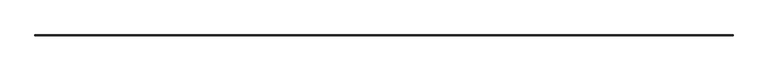
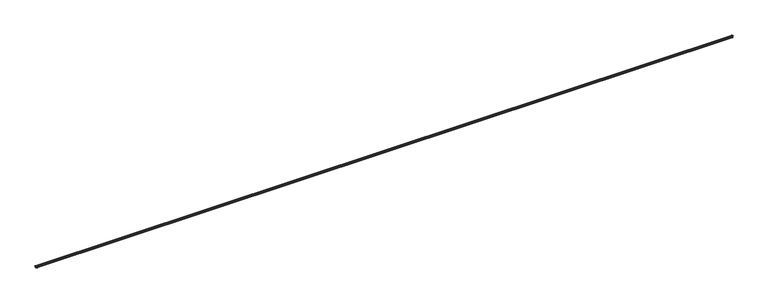
"""IFC4 building model written with IfcOpenShell, lengths in millimetres: railing geometry."""

from ifc_helpers import new_model, si_unit, frame, origin, place, context, project, spatial, polyline, circle_curve, ellipse_curve, source, transform, mapped, element, save
from ifc_brep_helpers import plane_surface, cylinder_surface, revolved_surface, advanced_brep


def railing_f5dde098(model_context):
    return source(origin(), model_context, "Body", "AdvancedBrep", [
        advanced_brep(
        [(25089.7959719, 78069.7828523, 686.2884842), (25089.7959719, 78069.7828523, 692.6440398), (6771.1367719, 78069.7828523, 686.2884842), (6771.1367719, 78069.7828523, 692.6440398), (25089.7959719, 78085.9062023, 686.2884842), (25089.7959719, 78085.9062023, 692.6440398), (6771.1367719, 78085.9062023, 692.6440398), (6771.1367719, 78085.9062023, 686.2884842)],
        [
            (0, 1, circle_curve(frame((25089.7959719, 78069.7828523, 689.466262), z_axis=(0.0, -1.0, 0.0), x_axis=(0.0, 0.0, 1.0)), 3.1777778)),
            (1, 0),
            (2, 3),
            (3, 2, circle_curve(frame((6771.1367719, 78069.7828523, 689.466262), z_axis=(0.0, -1.0, 0.0), x_axis=(0.0, 0.0, 1.0)), 3.1777778)),
            (4, 5),
            (5, 6),
            (6, 7),
            (7, 4),
            (5, 4, ellipse_curve(frame((25089.7959719, 78085.9062023, 689.466262), z_axis=(-0.7071067811865461, 0.7071067811865488, 0.0), x_axis=(0.7071067811865489, 0.707106781186546, 0.0)), 4.4940564, 3.1777778)),
            (7, 6, ellipse_curve(frame((6771.1367719, 78085.9062023, 689.466262), z_axis=(0.7071067811865488, 0.7071067811865461, 0.0), x_axis=(0.7071067811865462, -0.7071067811865487, 0.0)), 4.4940564, 3.1777778)),
            (0, 4),
            (5, 1),
            (7, 2),
            (3, 6),
        ],
        [
            plane_surface(frame((25074.4663719, 78069.7828523, 711.2), z_axis=(0.0, -1.0, 0.0), x_axis=(0.0, 0.0, 1.0))),
            plane_surface(frame((6786.4663719, 78069.7828523, 711.2), z_axis=(0.0, -1.0, 0.0), x_axis=(0.0, 0.0, -1.0))),
            plane_surface(frame((25089.7959719, 78085.9062023, 692.6440398), z_axis=(0.0, -1.0, 0.0), x_axis=(-1.0, 0.0, 0.0))),
            cylinder_surface(frame((25074.4663719, 78085.9062023, 689.466262), z_axis=(1.0, 0.0, 0.0), x_axis=(0.0, 0.0, 1.0)), 3.1777778),
            cylinder_surface(frame((25089.7959719, 78069.7828523, 689.466262), z_axis=(0.0, -1.0, 0.0), x_axis=(0.0, 0.0, 1.0)), 3.1777778),
            plane_surface(frame((25089.7959719, 78069.7828523, 692.6440398), z_axis=(-1.0, 0.0, 0.0), x_axis=(0.0, 1.0, 0.0))),
            cylinder_surface(frame((6771.1367719, 78070.5766023, 689.466262), z_axis=(0.0, 1.0, 0.0), x_axis=(0.0, 0.0, 1.0)), 3.1777778),
            plane_surface(frame((6771.1367719, 78085.9062023, 692.6440398), z_axis=(1.0, 0.0, 0.0), x_axis=(0.0, -1.0, 0.0))),
        ],
        [
            (0, [[1, 2]]),
            (1, [[3, 4]]),
            (2, [[5, 6, 7, 8]]),
            (3, [[9, -8, 10, -6]]),
            (4, [[-1, 11, -9, 12]]),
            (5, [[-2, -12, -5, -11]]),
            (6, [[-10, 13, -4, 14]]),
            (7, [[-7, -14, -3, -13]]),
        ],
    ),
        advanced_brep(
        [(25089.7959719, 78069.7828523, 693.1386519), (25098.2869941, 78069.7828523, 697.0595872), (25098.2869941, 78069.7828523, 698.9158033), (25098.8899531, 78069.7828523, 699.7015947), (25100.6162683, 78069.7828523, 700.1641594), (25101.1856485, 78069.7828523, 700.7186375), (25095.2918351, 78069.7828523, 709.3780081), (25074.4663719, 78069.7828523, 711.2), (25074.4663719, 78069.7828523, 708.0222222), (25075.1019275, 78069.7828523, 707.3866667), (25075.1019275, 78069.7828523, 686.4133333), (25074.4663719, 78069.7828523, 685.7777778), (25074.4663719, 78069.7828523, 679.4222222), (25075.1019275, 78069.7828523, 678.7866667), (25075.1019275, 78069.7828523, 657.8133333), (25074.4663719, 78069.7828523, 657.1777778), (25074.4663719, 78069.7828523, 654.0), (25082.6523275, 78069.7828523, 654.0), (25091.7811097, 78069.7828523, 670.2154542), (25091.972983, 78069.7828523, 683.7078213), (25090.7659275, 78069.7828523, 685.4901576), (25089.7959719, 78069.7828523, 686.2884842), (6771.1367719, 78069.7828523, 693.1386519), (6771.1367719, 78069.7828523, 686.2884842), (6770.1668164, 78069.7828523, 685.4901576), (6768.9597608, 78069.7828523, 683.7078213), (6769.1516342, 78069.7828523, 670.2154542), (6778.2804164, 78069.7828523, 654.0), (6786.4663719, 78069.7828523, 654.0), (6786.4663719, 78069.7828523, 657.1777778), (6785.8308164, 78069.7828523, 657.8133333), (6785.8308164, 78069.7828523, 678.7866667), (6786.4663719, 78069.7828523, 679.4222222), (6786.4663719, 78069.7828523, 685.7777778), (6785.8308164, 78069.7828523, 686.4133333), (6785.8308164, 78069.7828523, 707.3866667), (6786.4663719, 78069.7828523, 708.0222222), (6786.4663719, 78069.7828523, 711.2), (6765.6409088, 78069.7828523, 709.3780081), (6759.7470954, 78069.7828523, 700.7186375), (6760.3164756, 78069.7828523, 700.1641594), (6762.0427908, 78069.7828523, 699.7015947), (6762.6457497, 78069.7828523, 698.9158033), (6762.6457497, 78069.7828523, 697.0595872), (25089.7959719, 78085.9062023, 693.1386519), (25098.2869941, 78094.3972245, 697.0595872), (25098.2869941, 78094.3972245, 698.9158033), (25098.8899531, 78095.0001835, 699.7015947), (25100.6162683, 78096.7264987, 700.1641594), (25101.1856485, 78097.2958789, 700.7186375), (25095.2918351, 78091.4020654, 709.3780081), (25074.4663719, 78070.5766023, 711.2), (25074.4663719, 78070.5766023, 708.0222222), (25075.1019275, 78071.2121579, 707.3866667), (25075.1019275, 78071.2121579, 686.4133333), (25074.4663719, 78070.5766023, 685.7777778), (25074.4663719, 78070.5766023, 679.4222222), (25075.1019275, 78071.2121579, 678.7866667), (25075.1019275, 78071.2121579, 657.8133333), (25074.4663719, 78070.5766023, 657.1777778), (25074.4663719, 78070.5766023, 654.0), (25082.6523275, 78078.7625579, 654.0), (25091.7811097, 78087.8913401, 670.2154542), (25091.972983, 78088.0832134, 683.7078213), (25090.7659275, 78086.8761579, 685.4901576), (25089.7959719, 78085.9062023, 686.2884842), (6771.1367719, 78085.9062023, 693.1386519), (6762.6457497, 78094.3972245, 697.0595872), (6762.6457497, 78094.3972245, 698.9158033), (6762.0427908, 78095.0001835, 699.7015947), (6760.3164756, 78096.7264987, 700.1641594), (6759.7470954, 78097.2958789, 700.7186375), (6765.6409088, 78091.4020654, 709.3780081), (6786.4663719, 78070.5766023, 711.2), (6786.4663719, 78070.5766023, 708.0222222), (6785.8308164, 78071.2121579, 707.3866667), (6785.8308164, 78071.2121579, 686.4133333), (6786.4663719, 78070.5766023, 685.7777778), (6786.4663719, 78070.5766023, 679.4222222), (6785.8308164, 78071.2121579, 678.7866667), (6785.8308164, 78071.2121579, 657.8133333), (6786.4663719, 78070.5766023, 657.1777778), (6786.4663719, 78070.5766023, 654.0), (6778.2804164, 78078.7625579, 654.0), (6769.1516342, 78087.8913401, 670.2154542), (6768.9597608, 78088.0832134, 683.7078213), (6770.1668164, 78086.8761579, 685.4901576), (6771.1367719, 78085.9062023, 686.2884842)],
        [
            (0, 1, circle_curve(frame((25090.5586386, 78069.7828523, 702.6414296), z_axis=(0.0, -1.0, 0.0), x_axis=(0.7930029154518914, 0.0, -0.6092178395982841)), 9.5333333)),
            (1, 2),
            (2, 3, circle_curve(frame((25099.1005052, 78069.7828523, 698.9158033), z_axis=(0.0, 1.0, 0.0), x_axis=(-0.2588190451027654, 0.0, 0.9659258262890028)), 0.8135111)),
            (3, 4),
            (4, 5, circle_curve(frame((25100.4057161, 78069.7828523, 700.9499508), z_axis=(0.0, -1.0, 0.0), x_axis=(0.9587236595755319, 0.0, -0.28433948823562954)), 0.8135111)),
            (5, 6, circle_curve(frame((25094.7024608, 78069.7828523, 702.6414296), z_axis=(0.0, -1.0, 0.0), x_axis=(0.08715574274766327, 0.0, 0.9961946980917451)), 6.7623111)),
            (6, 7),
            (7, 8),
            (8, 9, circle_curve(frame((25074.4663719, 78069.7828523, 707.3866667), z_axis=(0.0, 1.0, 0.0), x_axis=(1.0, 0.0, 0.0)), 0.6355556)),
            (9, 10),
            (10, 11, circle_curve(frame((25074.4663719, 78069.7828523, 686.4133333), z_axis=(0.0, 1.0, 0.0), x_axis=(0.0, 0.0, -1.0)), 0.6355556)),
            (11, 12),
            (12, 13, circle_curve(frame((25074.4663719, 78069.7828523, 678.7866667), z_axis=(0.0, 1.0, 0.0), x_axis=(1.0, 0.0, 0.0)), 0.6355556)),
            (13, 14),
            (14, 15, circle_curve(frame((25074.4663719, 78069.7828523, 657.8133333), z_axis=(0.0, 1.0, 0.0), x_axis=(0.0, 0.0, -1.0)), 0.6355556)),
            (15, 16),
            (16, 17),
            (17, 18, circle_curve(frame((25082.6523275, 78069.7828523, 664.6773333), z_axis=(0.0, -1.0, 0.0), x_axis=(0.8549683620395757, 0.0, 0.51868015183865)), 10.6773333)),
            (18, 19, circle_curve(frame((25102.6487075, 78069.7828523, 676.8084552), z_axis=(0.0, 1.0, 0.0), x_axis=(-0.839873430542967, 0.0, 0.5427822958313838)), 12.7111111)),
            (19, 20, circle_curve(frame((25090.9908164, 78069.7828523, 684.342563), z_axis=(0.0, -1.0, 0.0), x_axis=(-0.1923076923071891, 0.0, 0.9813346786287966)), 1.1694222)),
            (20, 21, circle_curve(frame((25090.609483, 78069.7828523, 686.2884842), z_axis=(0.0, 1.0, 0.0), x_axis=(-1.0, 0.0, 0.0)), 0.8135111)),
            (21, 0),
            (22, 23),
            (23, 24, circle_curve(frame((6770.3232608, 78069.7828523, 686.2884842), z_axis=(0.0, 1.0, 0.0), x_axis=(1.0, 0.0, 0.0)), 0.8135111)),
            (24, 25, circle_curve(frame((6769.9419275, 78069.7828523, 684.342563), z_axis=(0.0, -1.0, 0.0), x_axis=(0.1923076923071891, 0.0, 0.9813346786287966)), 1.1694222)),
            (25, 26, circle_curve(frame((6758.2840363, 78069.7828523, 676.8084552), z_axis=(0.0, 1.0, 0.0), x_axis=(0.839873430542967, 0.0, 0.5427822958313838)), 12.7111111)),
            (26, 27, circle_curve(frame((6778.2804164, 78069.7828523, 664.6773333), z_axis=(0.0, -1.0, 0.0), x_axis=(-0.8549683620395757, 0.0, 0.51868015183865)), 10.6773333)),
            (27, 28),
            (28, 29),
            (29, 30, circle_curve(frame((6786.4663719, 78069.7828523, 657.8133333), z_axis=(0.0, 1.0, 0.0), x_axis=(0.0, 0.0, -1.0)), 0.6355556)),
            (30, 31),
            (31, 32, circle_curve(frame((6786.4663719, 78069.7828523, 678.7866667), z_axis=(0.0, 1.0, 0.0), x_axis=(-1.0, 0.0, 0.0)), 0.6355556)),
            (32, 33),
            (33, 34, circle_curve(frame((6786.4663719, 78069.7828523, 686.4133333), z_axis=(0.0, 1.0, 0.0), x_axis=(0.0, 0.0, -1.0)), 0.6355556)),
            (34, 35),
            (35, 36, circle_curve(frame((6786.4663719, 78069.7828523, 707.3866667), z_axis=(0.0, 1.0, 0.0), x_axis=(-1.0, 0.0, 0.0)), 0.6355556)),
            (36, 37),
            (37, 38),
            (38, 39, circle_curve(frame((6766.230283, 78069.7828523, 702.6414296), z_axis=(0.0, -1.0, 0.0), x_axis=(-0.08715574274766327, 0.0, 0.9961946980917451)), 6.7623111)),
            (39, 40, circle_curve(frame((6760.5270277, 78069.7828523, 700.9499508), z_axis=(0.0, -1.0, 0.0), x_axis=(-0.9587236595755319, 0.0, -0.28433948823562954)), 0.8135111)),
            (40, 41),
            (41, 42, circle_curve(frame((6761.8322386, 78069.7828523, 698.9158033), z_axis=(0.0, 1.0, 0.0), x_axis=(0.2588190451027654, 0.0, 0.9659258262890028)), 0.8135111)),
            (42, 43),
            (43, 22, circle_curve(frame((6770.3741052, 78069.7828523, 702.6414296), z_axis=(0.0, -1.0, 0.0), x_axis=(-0.7930029154518914, 0.0, -0.6092178395982841)), 9.5333333)),
            (0, 44),
            (44, 45, ellipse_curve(frame((25090.5586386, 78086.668869, 702.6414296), z_axis=(0.7071067811865461, -0.7071067811865488, 0.0), x_axis=(-0.7071067811865487, -0.7071067811865462, 0.0)), 13.4821693, 9.5333333)),
            (45, 1),
            (45, 46),
            (46, 2),
            (46, 47, ellipse_curve(frame((25099.1005052, 78095.2107356, 698.9158033), z_axis=(-0.7071067811865461, 0.7071067811865488, 0.0), x_axis=(0.7071067811865487, 0.7071067811865462, 0.0)), 1.1504784, 0.8135111)),
            (47, 3),
            (47, 48),
            (48, 4),
            (48, 49, ellipse_curve(frame((25100.4057161, 78096.5159465, 700.9499508), z_axis=(0.7071067811865461, -0.7071067811865488, 0.0), x_axis=(-0.7071067811865487, -0.7071067811865462, 0.0)), 1.1504784, 0.8135111)),
            (49, 5),
            (49, 50, ellipse_curve(frame((25094.7024608, 78090.8126912, 702.6414296), z_axis=(0.7071067811865461, -0.7071067811865488, 0.0), x_axis=(-0.7071067811865487, -0.7071067811865462, 0.0)), 9.5633521, 6.7623111)),
            (50, 6),
            (50, 51),
            (51, 7),
            (51, 52),
            (52, 8),
            (52, 53, ellipse_curve(frame((25074.4663719, 78070.5766023, 707.3866667), z_axis=(-0.7071067811865461, 0.7071067811865488, 0.0), x_axis=(0.7071067811865487, 0.7071067811865462, 0.0)), 0.8988113, 0.6355556)),
            (53, 9),
            (53, 54),
            (54, 10),
            (54, 55, ellipse_curve(frame((25074.4663719, 78070.5766023, 686.4133333), z_axis=(-0.7071067811865461, 0.7071067811865488, 0.0), x_axis=(0.7071067811865487, 0.7071067811865462, 0.0)), 0.8988113, 0.6355556)),
            (55, 11),
            (55, 56),
            (56, 12),
            (56, 57, ellipse_curve(frame((25074.4663719, 78070.5766023, 678.7866667), z_axis=(-0.7071067811865461, 0.7071067811865488, 0.0), x_axis=(0.7071067811865487, 0.7071067811865462, 0.0)), 0.8988113, 0.6355556)),
            (57, 13),
            (57, 58),
            (58, 14),
            (58, 59, ellipse_curve(frame((25074.4663719, 78070.5766023, 657.8133333), z_axis=(-0.7071067811865461, 0.7071067811865488, 0.0), x_axis=(0.7071067811865487, 0.7071067811865462, 0.0)), 0.8988113, 0.6355556)),
            (59, 15),
            (59, 60),
            (60, 16),
            (60, 61),
            (61, 17),
            (61, 62, ellipse_curve(frame((25082.6523275, 78078.7625579, 664.6773333), z_axis=(0.7071067811865461, -0.7071067811865488, 0.0), x_axis=(-0.7071067811865487, -0.7071067811865462, 0.0)), 15.1000296, 10.6773333)),
            (62, 18),
            (62, 63, ellipse_curve(frame((25102.6487075, 78098.7589379, 676.8084552), z_axis=(-0.7071067811865461, 0.7071067811865488, 0.0), x_axis=(0.7071067811865487, 0.7071067811865462, 0.0)), 17.9762257, 12.7111111)),
            (63, 19),
            (63, 64, ellipse_curve(frame((25090.9908164, 78087.1010468, 684.342563), z_axis=(0.7071067811865461, -0.7071067811865488, 0.0), x_axis=(-0.7071067811865487, -0.7071067811865462, 0.0)), 1.6538128, 1.1694222)),
            (64, 20),
            (64, 65, ellipse_curve(frame((25090.609483, 78086.7197134, 686.2884842), z_axis=(-0.7071067811865461, 0.7071067811865488, 0.0), x_axis=(0.7071067811865487, 0.7071067811865462, 0.0)), 1.1504784, 0.8135111)),
            (65, 21),
            (65, 44),
            (44, 66),
            (66, 67, ellipse_curve(frame((6770.3741052, 78086.668869, 702.6414296), z_axis=(0.7071067811865488, 0.7071067811865461, 0.0), x_axis=(0.7071067811865462, -0.7071067811865487, 0.0)), 13.4821693, 9.5333333)),
            (67, 45),
            (67, 68),
            (68, 46),
            (68, 69, ellipse_curve(frame((6761.8322386, 78095.2107356, 698.9158033), z_axis=(-0.7071067811865488, -0.7071067811865461, 0.0), x_axis=(-0.7071067811865462, 0.7071067811865487, 0.0)), 1.1504784, 0.8135111)),
            (69, 47),
            (69, 70),
            (70, 48),
            (70, 71, ellipse_curve(frame((6760.5270277, 78096.5159465, 700.9499508), z_axis=(0.7071067811865488, 0.7071067811865461, 0.0), x_axis=(0.7071067811865462, -0.7071067811865487, 0.0)), 1.1504784, 0.8135111)),
            (71, 49),
            (71, 72, ellipse_curve(frame((6766.230283, 78090.8126912, 702.6414296), z_axis=(0.7071067811865488, 0.7071067811865461, 0.0), x_axis=(0.7071067811865462, -0.7071067811865487, 0.0)), 9.5633521, 6.7623111)),
            (72, 50),
            (72, 73),
            (73, 51),
            (73, 74),
            (74, 52),
            (74, 75, ellipse_curve(frame((6786.4663719, 78070.5766023, 707.3866667), z_axis=(-0.7071067811865488, -0.7071067811865461, 0.0), x_axis=(-0.7071067811865462, 0.7071067811865487, 0.0)), 0.8988113, 0.6355556)),
            (75, 53),
            (75, 76),
            (76, 54),
            (76, 77, ellipse_curve(frame((6786.4663719, 78070.5766023, 686.4133333), z_axis=(-0.7071067811865488, -0.7071067811865461, 0.0), x_axis=(-0.7071067811865462, 0.7071067811865487, 0.0)), 0.8988113, 0.6355556)),
            (77, 55),
            (77, 78),
            (78, 56),
            (78, 79, ellipse_curve(frame((6786.4663719, 78070.5766023, 678.7866667), z_axis=(-0.7071067811865488, -0.7071067811865461, 0.0), x_axis=(-0.7071067811865462, 0.7071067811865487, 0.0)), 0.8988113, 0.6355556)),
            (79, 57),
            (79, 80),
            (80, 58),
            (80, 81, ellipse_curve(frame((6786.4663719, 78070.5766023, 657.8133333), z_axis=(-0.7071067811865488, -0.7071067811865461, 0.0), x_axis=(-0.7071067811865462, 0.7071067811865487, 0.0)), 0.8988113, 0.6355556)),
            (81, 59),
            (81, 82),
            (82, 60),
            (82, 83),
            (83, 61),
            (83, 84, ellipse_curve(frame((6778.2804164, 78078.7625579, 664.6773333), z_axis=(0.7071067811865488, 0.7071067811865461, 0.0), x_axis=(0.7071067811865462, -0.7071067811865487, 0.0)), 15.1000296, 10.6773333)),
            (84, 62),
            (84, 85, ellipse_curve(frame((6758.2840363, 78098.7589379, 676.8084552), z_axis=(-0.7071067811865488, -0.7071067811865461, 0.0), x_axis=(-0.7071067811865462, 0.7071067811865487, 0.0)), 17.9762257, 12.7111111)),
            (85, 63),
            (85, 86, ellipse_curve(frame((6769.9419275, 78087.1010468, 684.342563), z_axis=(0.7071067811865488, 0.7071067811865461, 0.0), x_axis=(0.7071067811865462, -0.7071067811865487, 0.0)), 1.6538128, 1.1694222)),
            (86, 64),
            (86, 87, ellipse_curve(frame((6770.3232608, 78086.7197134, 686.2884842), z_axis=(-0.7071067811865488, -0.7071067811865461, 0.0), x_axis=(-0.7071067811865462, 0.7071067811865487, 0.0)), 1.1504784, 0.8135111)),
            (87, 65),
            (87, 66),
            (66, 22),
            (43, 67),
            (42, 68),
            (41, 69),
            (40, 70),
            (39, 71),
            (38, 72),
            (37, 73),
            (36, 74),
            (35, 75),
            (34, 76),
            (33, 77),
            (32, 78),
            (31, 79),
            (30, 80),
            (29, 81),
            (28, 82),
            (27, 83),
            (26, 84),
            (25, 85),
            (24, 86),
            (23, 87),
        ],
        [
            plane_surface(frame((25074.4663719, 78069.7828523, 711.2), z_axis=(0.0, -1.0, 0.0), x_axis=(0.0, 0.0, 1.0))),
            plane_surface(frame((6786.4663719, 78069.7828523, 711.2), z_axis=(0.0, -1.0, 0.0), x_axis=(0.0, 0.0, -1.0))),
            cylinder_surface(frame((25090.5586386, 78069.7828523, 702.6414296), z_axis=(0.0, -1.0000000000000002, 0.0), x_axis=(0.7930029154518914, 0.0, -0.6092178395982841)), 9.5333333),
            plane_surface(frame((25098.2869941, 78069.7828523, 697.0595872), z_axis=(1.0, 0.0, 0.0), x_axis=(0.0, 1.0, 0.0))),
            revolved_surface(polyline([(25098.88995303392, 78096.02424667825, 699.7015946814628), (25098.88995303392, 78069.7828523, 699.7015946814628)]), (25099.1005052, 78069.7828523, 698.9158033), (0.0, 1.0000000000000002, 0.0)),
            plane_surface(frame((25098.8899531, 78069.7828523, 699.7015947), z_axis=(0.25881904510275217, 0.0, -0.9659258262890063), x_axis=(0.0, 1.0, 0.0))),
            cylinder_surface(frame((25100.4057161, 78069.7828523, 700.9499508), z_axis=(0.0, -1.0, 0.0), x_axis=(0.9587236595755319, 0.0, -0.28433948823562954)), 0.8135111),
            cylinder_surface(frame((25094.7024608, 78069.7828523, 702.6414296), z_axis=(0.0, -1.0, 0.0), x_axis=(0.08715574274766327, 0.0, 0.9961946980917451)), 6.7623111),
            plane_surface(frame((25095.2918351, 78069.7828523, 709.3780081), z_axis=(0.08715574274765486, 0.0, 0.9961946980917459), x_axis=(0.0, 1.0, 0.0))),
            plane_surface(frame((25074.4663719, 78069.7828523, 711.2), z_axis=(-1.0, 0.0, 0.0), x_axis=(0.0, 1.0, 0.0))),
            revolved_surface(polyline([(25075.1019275, 78071.2121579, 707.3866667), (25075.1019275, 78069.7828523, 707.3866667)]), (25074.4663719, 78069.7828523, 707.3866667), (0.0, 1.0, 0.0)),
            plane_surface(frame((25075.1019275, 78069.7828523, 707.3866667), z_axis=(-1.0, -3.030470636854773e-12, 0.0), x_axis=(-3.030470636854773e-12, 1.0, 0.0))),
            revolved_surface(polyline([(25074.4663719, 78071.2121579, 685.7777777), (25074.4663719, 78069.7828523, 685.7777777)]), (25074.4663719, 78069.7828523, 686.4133333), (0.0, 1.0, 0.0)),
            plane_surface(frame((25074.4663719, 78069.7828523, 685.7777778), z_axis=(-1.0, 0.0, 0.0), x_axis=(0.0, 1.0, 0.0))),
            revolved_surface(polyline([(25075.1019275, 78071.2121579, 678.7866667), (25075.1019275, 78069.7828523, 678.7866667)]), (25074.4663719, 78069.7828523, 678.7866667), (0.0, 1.0, 0.0)),
            plane_surface(frame((25075.1019275, 78069.7828523, 678.7866667), z_axis=(-1.0, -3.030470636854773e-12, 0.0), x_axis=(-3.030470636854773e-12, 1.0, 0.0))),
            revolved_surface(polyline([(25074.4663719, 78071.2121579, 657.1777777), (25074.4663719, 78069.7828523, 657.1777777)]), (25074.4663719, 78069.7828523, 657.8133333), (0.0, 1.0, 0.0)),
            plane_surface(frame((25074.4663719, 78069.7828523, 657.1777778), z_axis=(-1.0, 0.0, 0.0), x_axis=(0.0, 1.0, 0.0))),
            plane_surface(frame((25074.4663719, 78069.7828523, 654.0), z_axis=(0.0, 0.0, -1.0), x_axis=(0.0, 1.0, 0.0))),
            cylinder_surface(frame((25082.6523275, 78069.7828523, 664.6773333), z_axis=(0.0, -1.0, 0.0), x_axis=(0.8549683620395757, 0.0, 0.51868015183865)), 10.6773333),
            revolved_surface(polyline([(25091.97298301443, 78111.4700489926, 683.7078212654258), (25091.97298301443, 78069.7828523, 683.7078212654258)]), (25102.6487075, 78069.7828523, 676.8084552), (0.0, 1.0, 0.0)),
            cylinder_surface(frame((25090.9908164, 78069.7828523, 684.342563), z_axis=(0.0, -1.0, 0.0), x_axis=(-0.1923076923071891, 0.0, 0.9813346786287966)), 1.1694222),
            revolved_surface(polyline([(25089.7959719, 78087.53322447825, 686.2884842), (25089.7959719, 78069.7828523, 686.2884842)]), (25090.609483, 78069.7828523, 686.2884842), (0.0, 1.0, 0.0)),
            plane_surface(frame((25089.7959719, 78069.7828523, 686.2884842), z_axis=(1.0, 0.0, 0.0), x_axis=(0.0, 1.0, 0.0))),
            cylinder_surface(frame((25074.4663719, 78086.668869, 702.6414296), z_axis=(1.0000000000000002, 0.0, 0.0), x_axis=(0.0, 0.7930029154518914, -0.6092178395982841)), 9.5333333),
            plane_surface(frame((25098.2869941, 78094.3972245, 697.0595872), z_axis=(0.0, 1.0, 0.0), x_axis=(-1.0, 0.0, 0.0))),
            revolved_surface(polyline([(6761.018727521743, 78095.00018343392, 699.7015946814628), (25099.91401627825, 78095.00018343392, 699.7015946814628)]), (25074.4663719, 78095.2107356, 698.9158033), (-1.0000000000000002, 0.0, 0.0)),
            plane_surface(frame((25098.8899531, 78095.0001835, 699.7015947), z_axis=(0.0, 0.25881904510275217, -0.9659258262890063), x_axis=(-1.0, 0.0, 0.0))),
            cylinder_surface(frame((25074.4663719, 78096.5159465, 700.9499508), z_axis=(1.0, 0.0, 0.0), x_axis=(0.0, 0.9587236595755319, -0.28433948823562954)), 0.8135111),
            cylinder_surface(frame((25074.4663719, 78090.8126912, 702.6414296), z_axis=(1.0, 0.0, 0.0), x_axis=(0.0, 0.08715574274766327, 0.9961946980917451)), 6.7623111),
            plane_surface(frame((25095.2918351, 78091.4020654, 709.3780081), z_axis=(0.0, 0.08715574274765486, 0.9961946980917459), x_axis=(-1.0, 0.0, 0.0))),
            plane_surface(frame((25074.4663719, 78070.5766023, 711.2), z_axis=(0.0, -1.0, 0.0), x_axis=(-1.0, 0.0, 0.0))),
            revolved_surface(polyline([(6785.830816334761, 78071.21215790001, 707.3866667), (25075.1019275, 78071.21215790001, 707.3866667)]), (25074.4663719, 78070.5766023, 707.3866667), (-1.0, 0.0, 0.0)),
            plane_surface(frame((25075.1019275, 78071.2121579, 707.3866667), z_axis=(0.0, -1.0, 0.0), x_axis=(-1.0, 0.0, 0.0))),
            revolved_surface(polyline([(6785.830816334761, 78070.5766023, 685.7777777), (25075.1019275, 78070.5766023, 685.7777777)]), (25074.4663719, 78070.5766023, 686.4133333), (-1.0, 0.0, 0.0)),
            plane_surface(frame((25074.4663719, 78070.5766023, 685.7777778), z_axis=(0.0, -1.0, 0.0), x_axis=(-1.0, 0.0, 0.0))),
            revolved_surface(polyline([(6785.830816334761, 78071.21215790001, 678.7866667), (25075.1019275, 78071.21215790001, 678.7866667)]), (25074.4663719, 78070.5766023, 678.7866667), (-1.0, 0.0, 0.0)),
            plane_surface(frame((25075.1019275, 78071.2121579, 678.7866667), z_axis=(0.0, -1.0, 0.0), x_axis=(-1.0, 0.0, 0.0))),
            revolved_surface(polyline([(6785.830816334761, 78070.5766023, 657.1777777), (25075.1019275, 78070.5766023, 657.1777777)]), (25074.4663719, 78070.5766023, 657.8133333), (-1.0, 0.0, 0.0)),
            plane_surface(frame((25074.4663719, 78070.5766023, 657.1777778), z_axis=(0.0, -1.0, 0.0), x_axis=(-1.0, 0.0, 0.0))),
            plane_surface(frame((25074.4663719, 78070.5766023, 654.0), z_axis=(0.0, 0.0, -1.0), x_axis=(-1.0, 0.0, 0.0))),
            cylinder_surface(frame((25074.4663719, 78078.7625579, 664.6773333), z_axis=(1.0, 0.0, 0.0), x_axis=(0.0, 0.8549683620395757, 0.51868015183865)), 10.6773333),
            revolved_surface(polyline([(6745.572925207391, 78088.08321341443, 683.7078212654258), (25115.35981859261, 78088.08321341443, 683.7078212654258)]), (25074.4663719, 78098.7589379, 676.8084552), (-1.0, 0.0, 0.0)),
            cylinder_surface(frame((25074.4663719, 78087.1010468, 684.342563), z_axis=(1.0, 0.0, 0.0), x_axis=(0.0, -0.1923076923071891, 0.9813346786287966)), 1.1694222),
            revolved_surface(polyline([(6769.50974972175, 78085.9062023, 686.2884842), (25091.42299407825, 78085.9062023, 686.2884842)]), (25074.4663719, 78086.7197134, 686.2884842), (-1.0, 0.0, 0.0)),
            plane_surface(frame((25089.7959719, 78085.9062023, 686.2884842), z_axis=(0.0, 1.0, 0.0), x_axis=(-1.0, 0.0, 0.0))),
            cylinder_surface(frame((6770.3741052, 78070.5766023, 702.6414296), z_axis=(0.0, 1.0000000000000002, 0.0), x_axis=(-0.7930029154518914, 0.0, -0.6092178395982841)), 9.5333333),
            plane_surface(frame((6762.6457497, 78094.3972245, 697.0595872), z_axis=(-1.0, 0.0, 0.0), x_axis=(0.0, -1.0, 0.0))),
            revolved_surface(polyline([(6762.042790766082, 78069.7828523, 699.7015946814628), (6762.042790766082, 78096.02424667825, 699.7015946814628)]), (6761.8322386, 78070.5766023, 698.9158033), (0.0, -1.0000000000000002, 0.0)),
            plane_surface(frame((6762.0427908, 78095.0001835, 699.7015947), z_axis=(-0.25881904510275217, 0.0, -0.9659258262890063), x_axis=(0.0, -1.0, 0.0))),
            cylinder_surface(frame((6760.5270277, 78070.5766023, 700.9499508), z_axis=(0.0, 1.0, 0.0), x_axis=(-0.9587236595755319, 0.0, -0.28433948823562954)), 0.8135111),
            cylinder_surface(frame((6766.230283, 78070.5766023, 702.6414296), z_axis=(0.0, 1.0, 0.0), x_axis=(-0.08715574274766327, 0.0, 0.9961946980917451)), 6.7623111),
            plane_surface(frame((6765.6409088, 78091.4020654, 709.3780081), z_axis=(-0.08715574274765486, 0.0, 0.9961946980917459), x_axis=(0.0, -1.0, 0.0))),
            plane_surface(frame((6786.4663719, 78070.5766023, 711.2), z_axis=(1.0, 2.7284841052989324e-12, 0.0), x_axis=(2.7284841052989324e-12, -1.0, 0.0))),
            revolved_surface(polyline([(6785.8308163, 78069.7828523, 707.3866667), (6785.8308163, 78071.2121579, 707.3866667)]), (6786.4663719, 78070.5766023, 707.3866667), (0.0, -1.0, 0.0)),
            plane_surface(frame((6785.8308164, 78071.2121579, 707.3866667), z_axis=(1.0, 1.5152353184273865e-12, 0.0), x_axis=(1.5152353184273865e-12, -1.0, 0.0))),
            revolved_surface(polyline([(6786.4663719, 78069.7828523, 685.7777777), (6786.4663719, 78071.2121579, 685.7777777)]), (6786.4663719, 78070.5766023, 686.4133333), (0.0, -1.0, 0.0)),
            plane_surface(frame((6786.4663719, 78070.5766023, 685.7777778), z_axis=(1.0, 2.7284841052989324e-12, 0.0), x_axis=(2.7284841052989324e-12, -1.0, 0.0))),
            revolved_surface(polyline([(6785.8308163, 78069.7828523, 678.7866667), (6785.8308163, 78071.2121579, 678.7866667)]), (6786.4663719, 78070.5766023, 678.7866667), (0.0, -1.0, 0.0)),
            plane_surface(frame((6785.8308164, 78071.2121579, 678.7866667), z_axis=(1.0, 1.5152353184273865e-12, 0.0), x_axis=(1.5152353184273865e-12, -1.0, 0.0))),
            revolved_surface(polyline([(6786.4663719, 78069.7828523, 657.1777777), (6786.4663719, 78071.2121579, 657.1777777)]), (6786.4663719, 78070.5766023, 657.8133333), (0.0, -1.0, 0.0)),
            plane_surface(frame((6786.4663719, 78070.5766023, 657.1777778), z_axis=(1.0, 2.7284841052989324e-12, 0.0), x_axis=(2.7284841052989324e-12, -1.0, 0.0))),
            plane_surface(frame((6786.4663719, 78070.5766023, 654.0), z_axis=(0.0, 0.0, -1.0), x_axis=(-5.456968210716979e-12, -1.0, 0.0))),
            cylinder_surface(frame((6778.2804164, 78070.5766023, 664.6773333), z_axis=(0.0, 1.0, 0.0), x_axis=(-0.8549683620395757, 0.0, 0.51868015183865)), 10.6773333),
            revolved_surface(polyline([(6768.959760785569, 78069.7828523, 683.7078212654258), (6768.959760785569, 78111.4700489926, 683.7078212654258)]), (6758.2840363, 78070.5766023, 676.8084552), (0.0, -1.0, 0.0)),
            cylinder_surface(frame((6769.9419275, 78070.5766023, 684.342563), z_axis=(0.0, 1.0, 0.0), x_axis=(0.1923076923071891, 0.0, 0.9813346786287966)), 1.1694222),
            revolved_surface(polyline([(6771.1367719, 78069.7828523, 686.2884842), (6771.1367719, 78087.53322447825, 686.2884842)]), (6770.3232608, 78070.5766023, 686.2884842), (0.0, -1.0, 0.0)),
            plane_surface(frame((6771.1367719, 78085.9062023, 686.2884842), z_axis=(-1.0, 0.0, 0.0), x_axis=(0.0, -1.0, 0.0))),
        ],
        [
            (0, [[1, 2, 3, 4, 5, 6, 7, 8, 9, 10, 11, 12, 13, 14, 15, 16, 17, 18, 19, 20, 21, 22]]),
            (1, [[23, 24, 25, 26, 27, 28, 29, 30, 31, 32, 33, 34, 35, 36, 37, 38, 39, 40, 41, 42, 43, 44]]),
            (2, [[-1, 45, 46, 47]]),
            (3, [[-2, -47, 48, 49]]),
            (4, [[-3, -49, 50, 51]]),
            (5, [[-4, -51, 52, 53]]),
            (6, [[-5, -53, 54, 55]]),
            (7, [[-6, -55, 56, 57]]),
            (8, [[-7, -57, 58, 59]]),
            (9, [[-8, -59, 60, 61]]),
            (10, [[-9, -61, 62, 63]]),
            (11, [[-10, -63, 64, 65]]),
            (12, [[-11, -65, 66, 67]]),
            (13, [[-12, -67, 68, 69]]),
            (14, [[-13, -69, 70, 71]]),
            (15, [[-14, -71, 72, 73]]),
            (16, [[-15, -73, 74, 75]]),
            (17, [[-16, -75, 76, 77]]),
            (18, [[-17, -77, 78, 79]]),
            (19, [[-18, -79, 80, 81]]),
            (20, [[-19, -81, 82, 83]]),
            (21, [[-20, -83, 84, 85]]),
            (22, [[-21, -85, 86, 87]]),
            (23, [[-22, -87, 88, -45]]),
            (24, [[-46, 89, 90, 91]]),
            (25, [[-48, -91, 92, 93]]),
            (26, [[-50, -93, 94, 95]]),
            (27, [[-52, -95, 96, 97]]),
            (28, [[-54, -97, 98, 99]]),
            (29, [[-56, -99, 100, 101]]),
            (30, [[-58, -101, 102, 103]]),
            (31, [[-60, -103, 104, 105]]),
            (32, [[-62, -105, 106, 107]]),
            (33, [[-64, -107, 108, 109]]),
            (34, [[-66, -109, 110, 111]]),
            (35, [[-68, -111, 112, 113]]),
            (36, [[-70, -113, 114, 115]]),
            (37, [[-72, -115, 116, 117]]),
            (38, [[-74, -117, 118, 119]]),
            (39, [[-76, -119, 120, 121]]),
            (40, [[-78, -121, 122, 123]]),
            (41, [[-80, -123, 124, 125]]),
            (42, [[-82, -125, 126, 127]]),
            (43, [[-84, -127, 128, 129]]),
            (44, [[-86, -129, 130, 131]]),
            (45, [[-88, -131, 132, -89]]),
            (46, [[-90, 133, -44, 134]]),
            (47, [[-92, -134, -43, 135]]),
            (48, [[-94, -135, -42, 136]]),
            (49, [[-96, -136, -41, 137]]),
            (50, [[-98, -137, -40, 138]]),
            (51, [[-100, -138, -39, 139]]),
            (52, [[-102, -139, -38, 140]]),
            (53, [[-104, -140, -37, 141]]),
            (54, [[-106, -141, -36, 142]]),
            (55, [[-108, -142, -35, 143]]),
            (56, [[-110, -143, -34, 144]]),
            (57, [[-112, -144, -33, 145]]),
            (58, [[-114, -145, -32, 146]]),
            (59, [[-116, -146, -31, 147]]),
            (60, [[-118, -147, -30, 148]]),
            (61, [[-120, -148, -29, 149]]),
            (62, [[-122, -149, -28, 150]]),
            (63, [[-124, -150, -27, 151]]),
            (64, [[-126, -151, -26, 152]]),
            (65, [[-128, -152, -25, 153]]),
            (66, [[-130, -153, -24, 154]]),
            (67, [[-132, -154, -23, -133]]),
        ],
    ),
    ])


if __name__ == "__main__":
    model = new_model("IFC4")
    model_context = context("Model", 3, world=origin())
    ifc_project = project(units=[si_unit("LENGTHUNIT", "METRE", prefix="MILLI")], contexts=[model_context])
    site = spatial("IfcSite", under=ifc_project)
    building = spatial("IfcBuilding", under=site)
    placement = place(None, origin())
    railing_shape = railing_f5dde098(model_context)
    element("IfcRailing", 1, at=placement, inside=building, context=model_context, shape_type="MappedRepresentation", body=[
        mapped(railing_shape, transform((0.0, 0.0, 0.0), x_axis=(1.0, 0.0, 0.0), y_axis=(0.0, 1.0, 0.0), z_axis=(0.0, 0.0, 1.0))),
    ])
    save(model, "model.ifc")
